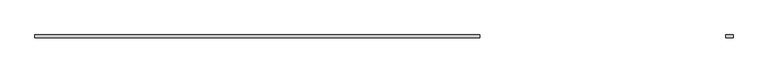
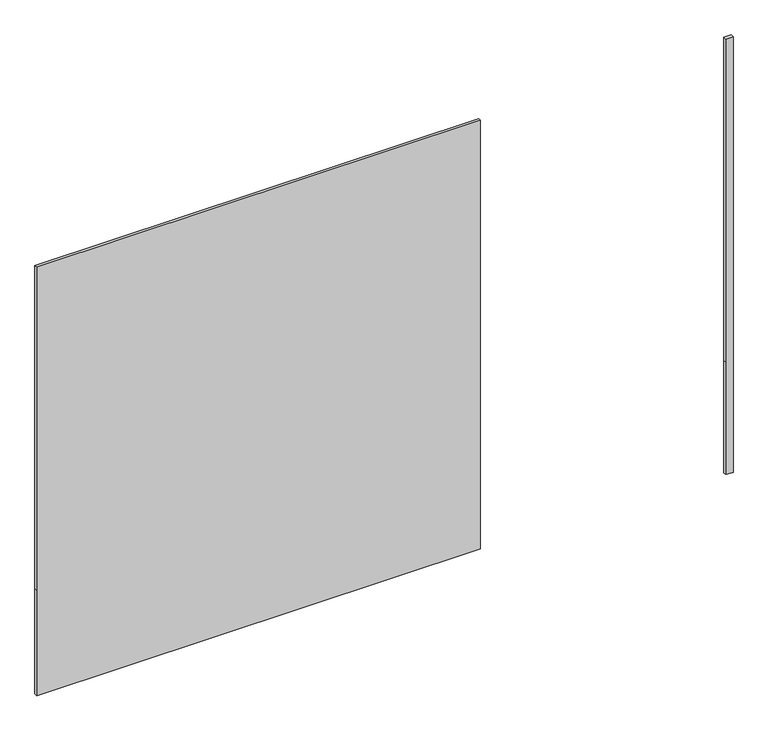
"""IFC4 building model written with IfcOpenShell, lengths in millimetres: plate geometry."""

from ifc_helpers import new_model, si_unit, frame, origin, place, context, project, spatial, polyline, outline, extrude, source, transform, mapped, element, save


def plate_7ade2747(model_context):
    return source(origin(), model_context, "Body", "SweptSolid", [
        extrude(outline(polyline([(50.0, -2342.5), (50.0, 642.5), (800.0, 642.5), (3100.0, 642.5), (3100.0, -2342.5), (800.0, -2342.5), (50.0, -2342.5)])), frame((0.0, 20.0, 0.0), z_axis=(0.0, 1.0, 0.0), x_axis=(0.0, 0.0, 1.0)), (0.0, 0.0, 1.0), 20.0),
        extrude(outline(polyline([(0.0, 2292.5), (0.0, 2342.5), (800.0, 2342.5), (3100.0, 2342.5), (3100.0, 2292.5), (800.0, 2292.5), (0.0, 2292.5)])), frame((0.0, 20.0, 0.0), z_axis=(0.0, 1.0, 0.0), x_axis=(0.0, 0.0, 1.0)), (0.0, 0.0, 1.0), 20.0),
    ])


if __name__ == "__main__":
    model = new_model("IFC4")
    model_context = context("Model", 3, world=origin())
    ifc_project = project(units=[si_unit("LENGTHUNIT", "METRE", prefix="MILLI")], contexts=[model_context])
    site = spatial("IfcSite", under=ifc_project)
    building = spatial("IfcBuilding", under=site)
    placement = place(None, origin())
    plate_shape = plate_7ade2747(model_context)
    element("IfcPlate", 1, at=placement, inside=building, context=model_context, shape_type="MappedRepresentation", body=[
        mapped(plate_shape, transform((0.0, 0.0, 0.0), x_axis=(1.0, 0.0, 0.0), y_axis=(0.0, 1.0, 0.0), z_axis=(0.0, 0.0, 1.0))),
    ])
    save(model, "model.ifc")
